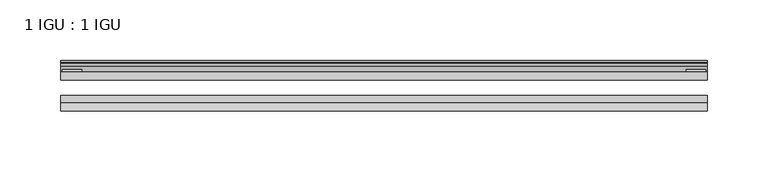
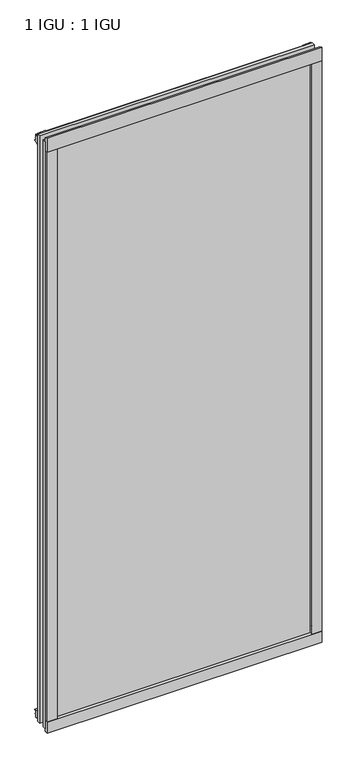
"""IFC4 building model written with IfcOpenShell, lengths in millimetres: plate geometry, 1 IGU : 1 IGU."""

from ifc_helpers import new_model, si_unit, point, frame, frame_2d, origin, place, context, project, spatial, polyline, circle_curve, trimmed, segment, composite_curve, outline, extrude, source, transform, mapped, element, save


def plate_1_igu_1_igu_08ad53d0(model_context):
    return source(origin(), model_context, "Body", "SweptSolid", [
        extrude(outline(polyline([(265.11885, 0.0021347), (265.11885, -6.2992), (-265.11885, -6.2992), (-265.11885, 0.0021347), (265.11885, 0.0021347)])), frame((0.0, 0.0, -17.4498), z_axis=(0.0, 0.0, 1.0), x_axis=(1.0, 0.0, 0.0)), (0.0, 0.0, 1.0), 1196.9496),
        extrude(outline(polyline([(-265.11885, -19.0986653), (265.11885, -19.0986653), (265.11885, -25.3978653), (-265.11885, -25.3978653), (-265.11885, -19.0986653)])), frame((0.0, 0.0, -17.4498), z_axis=(0.0, 0.0, 1.0), x_axis=(1.0, 0.0, 0.0)), (0.0, 0.0, 1.0), 1196.9496),
        extrude(outline(composite_curve([segment(polyline([(-31.75, 0.0), (-25.4, 0.0), (-25.4, -22.225)]), True, "CONTINUOUS"), segment(trimmed(circle_curve(frame_2d((-28.575, -28.9113452)), 7.4018806), [point((-25.4, -22.225))], [point((-31.75, -22.225))], True, "CARTESIAN"), True, "CONTINUOUS"), segment(polyline([(-31.75, -22.225), (-31.75, 0.0)]), True, "CONTINUOUS")], self_intersect=False)), frame((-265.11885, 0.0, 0.0), z_axis=(1.0, 0.0, 0.0), x_axis=(0.0, 1.0, 0.0)), (0.0, 0.0, 1.0), 530.2377),
        extrude(outline(composite_curve([segment(trimmed(circle_curve(frame_2d((13.6593785, 32.4202472)), 31.3046461), [point((0.0, 4.2528503))], [point((9.3980339, 1.406995))], True, "CARTESIAN"), True, "CONTINUOUS"), segment(polyline([(9.3980339, 1.406995), (9.3980339, 0.0254), (6.35, 0.0254), (6.35, -5.1625788), (7.7309478, -5.3970663), (6.35, -8.0073788), (6.35, -11.8471127)]), True, "CONTINUOUS"), segment(trimmed(circle_curve(frame_2d((5.334, -11.8471127)), 1.016), [point((6.35, -11.8471127))], [point((4.6284878, -12.5782136))], False, "CARTESIAN"), True, "CONTINUOUS"), segment(trimmed(circle_curve(frame_2d((-23.3689302, -41.5910901)), 40.3187601), [point((4.6284878, -12.5782136))], [point((0.0, -8.735413))], True, "CARTESIAN"), True, "CONTINUOUS"), segment(polyline([(0.0, -8.735413), (0.0, 4.2528503)]), True, "CONTINUOUS")], self_intersect=False)), frame((-265.11885, 0.0, 0.0), z_axis=(1.0, 0.0, 0.0), x_axis=(0.0, 1.0, 0.0)), (0.0, 0.0, 1.0), 530.2377),
        extrude(outline(composite_curve([segment(trimmed(circle_curve(frame_2d((-23.3689302, 1203.6664901)), 40.3187601), [point((0.0, 1170.810813))], [point((4.9746073, 1174.9916528))], True, "CARTESIAN"), True, "CONTINUOUS"), segment(trimmed(circle_curve(frame_2d((5.8674, 1174.0884245)), 1.27), [point((4.9746073, 1174.9916528))], [point((7.1374, 1174.0884245))], False, "CARTESIAN"), True, "CONTINUOUS"), segment(polyline([(7.1374, 1174.0884245), (7.1374, 1169.6876168), (7.7309478, 1167.4724663), (6.35, 1167.2379788), (6.35, 1162.05), (9.3980339, 1162.05), (9.3980339, 1160.668405)]), True, "CONTINUOUS"), segment(trimmed(circle_curve(frame_2d((13.6593785, 1129.6551528)), 31.3046461), [point((9.3980339, 1160.668405))], [point((0.0, 1157.8225497))], True, "CARTESIAN"), True, "CONTINUOUS"), segment(polyline([(0.0, 1157.8225497), (0.0, 1170.810813)]), True, "CONTINUOUS")], self_intersect=False)), frame((-265.11885, 0.0, 0.0), z_axis=(1.0, 0.0, 0.0), x_axis=(0.0, 1.0, 0.0)), (0.0, 0.0, 1.0), 530.2377),
        extrude(outline(composite_curve([segment(polyline([(-25.4, 1187.45), (-25.4, 1162.05), (-31.75, 1162.05), (-31.75, 1190.2228973)]), True, "CONTINUOUS"), segment(trimmed(circle_curve(frame_2d((-24.1401272, 1198.9924115)), 11.6109665), [point((-31.75, 1190.2228973))], [point((-25.4, 1187.45))], True, "CARTESIAN"), True, "CONTINUOUS")], self_intersect=False)), frame((-265.11885, 0.0, 0.0), z_axis=(1.0, 0.0, 0.0), x_axis=(0.0, 1.0, 0.0)), (0.0, 0.0, 1.0), 530.2377),
        extrude(outline(composite_curve([segment(polyline([(246.06885, -25.4), (265.11885, -25.4)]), True, "CONTINUOUS"), segment(trimmed(circle_curve(frame_2d((274.5850007, -28.575)), 9.9844196), [point((265.11885, -25.4))], [point((265.11885, -31.75))], True, "CARTESIAN"), True, "CONTINUOUS"), segment(polyline([(265.11885, -31.75), (246.06885, -31.75), (246.06885, -25.4)]), True, "CONTINUOUS")], self_intersect=False)), frame((0.0, 0.0, -17.4498), z_axis=(0.0, 0.0, 1.0), x_axis=(1.0, 0.0, 0.0)), (0.0, 0.0, 1.0), 1196.9496),
        extrude(outline(polyline([(263.91235, 2.2860088), (263.91235, 0.0021347), (248.03735, 0.0021347), (248.03735, 2.2860088), (263.91235, 2.2860088)])), frame((0.0, 0.0, -17.4498), z_axis=(0.0, 0.0, 1.0), x_axis=(1.0, 0.0, 0.0)), (0.0, 0.0, 1.0), 1196.9496),
        extrude(outline(composite_curve([segment(trimmed(circle_curve(frame_2d((-274.5850007, -28.575)), 9.9844196), [point((-265.11885, -31.75))], [point((-265.11885, -25.4))], True, "CARTESIAN"), True, "CONTINUOUS"), segment(polyline([(-265.11885, -25.4), (-246.06885, -25.4), (-246.06885, -31.75), (-265.11885, -31.75)]), True, "CONTINUOUS")], self_intersect=False)), frame((0.0, 0.0, -17.4498), z_axis=(0.0, 0.0, 1.0), x_axis=(1.0, 0.0, 0.0)), (0.0, 0.0, 1.0), 1196.9496),
        extrude(outline(polyline([(-263.91235, 0.0), (-263.91235, 2.286), (-248.03735, 2.286), (-248.03735, 0.0), (-263.91235, 0.0)])), frame((0.0, 0.0, -17.4498), z_axis=(0.0, 0.0, 1.0), x_axis=(1.0, 0.0, 0.0)), (0.0, 0.0, 1.0), 1196.9496),
    ])


if __name__ == "__main__":
    model = new_model("IFC4")
    model_context = context("Model", 3, world=origin())
    ifc_project = project(units=[si_unit("LENGTHUNIT", "METRE", prefix="MILLI")], contexts=[model_context])
    site = spatial("IfcSite", under=ifc_project)
    building = spatial("IfcBuilding", under=site)
    placement = place(None, origin())
    plate_1_igu_1_igu_shape = plate_1_igu_1_igu_08ad53d0(model_context)
    element("IfcPlate", 1, ObjectType="1 IGU : 1 IGU", at=placement, inside=building, context=model_context, shape_type="MappedRepresentation", body=[
        mapped(plate_1_igu_1_igu_shape, transform((0.0, 0.0, 0.0), x_axis=(1.0, 0.0, 0.0), y_axis=(0.0, 1.0, 0.0), z_axis=(0.0, 0.0, 1.0))),
    ])
    save(model, "model.ifc")
